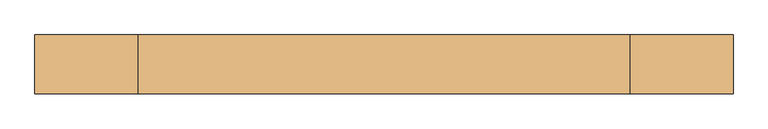
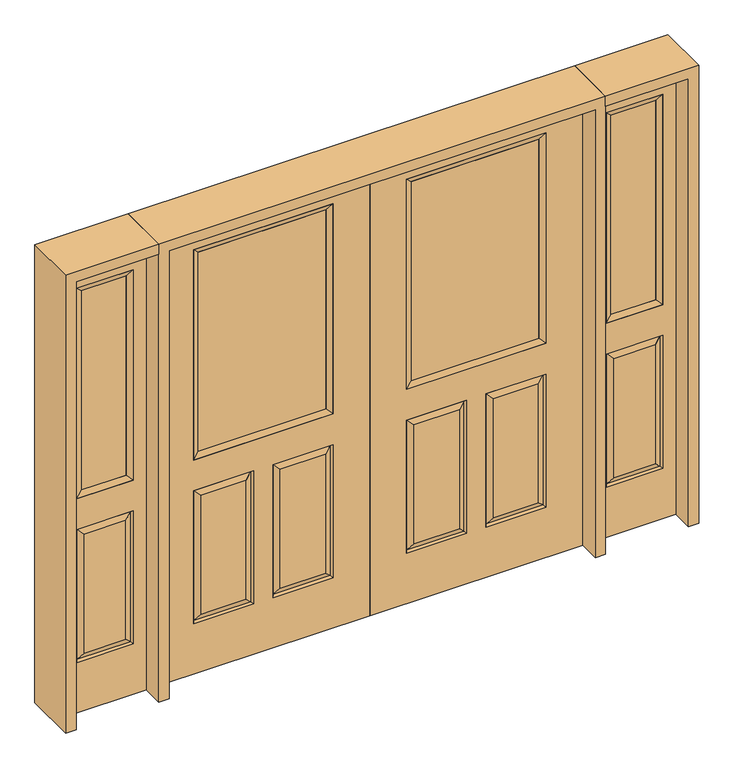
"""IFC4 building model written with IfcOpenShell, lengths in millimetres: door geometry."""

import ifcopenshell
import ifcopenshell.guid

model = None  # the IFC model being written
_history = None  # IfcOwnerHistory: only IFC2X3 demands one
_inside = {}  # id of a spatial element -> (the spatial element, [elements in it])
_under = {}  # id of a project, library or spatial element -> (it, [spatial elements below it])
_declared = {}  # id of a project -> (the project, [libraries it declares])
_typed = {}  # id of a type object -> (the type object, [elements of that type])
_made_of = {}  # id of a material, layer set ... -> (it, [elements and type objects made of it])


def new_model(schema):
    """Start an empty IFC model of exactly this schema.

    Asked for "IFC4X3", IfcOpenShell would pick the latest addendum, in which some entities
    have other attributes; the version numbers below select the first issue.
    IFC2X3 requires an IfcOwnerHistory on every rooted entity: one is made here for all.
    """
    global model, _history
    if schema == "IFC4X3":
        model = ifcopenshell.file(schema_version=(4, 3, 0, 0))
    else:
        model = ifcopenshell.file(schema=schema)
    _inside.clear()
    _under.clear()
    _declared.clear()
    _typed.clear()
    _made_of.clear()
    _history = None
    if model.schema == "IFC2X3":
        org = make("IfcOrganization", Name="unknown")
        user = make(
            "IfcPersonAndOrganization",
            ThePerson=make("IfcPerson", FamilyName="unknown"),
            TheOrganization=org,
        )
        app = make(
            "IfcApplication",
            ApplicationDeveloper=org,
            Version="unknown",
            ApplicationFullName="unknown",
            ApplicationIdentifier="unknown",
        )
        _history = make(
            "IfcOwnerHistory",
            OwningUser=user,
            OwningApplication=app,
            ChangeAction="ADDED",
            CreationDate=0,
        )
    return model


def make(cls, **values):
    """One entity of the class cls with the attributes given. An attribute that is None is left unset."""
    return model.create_entity(
        cls, **{name: value for name, value in values.items() if value is not None}
    )


def rooted(cls, **values):
    """An entity with a GlobalId (a new one), such as an element, a storey or a relation."""
    return make(cls, GlobalId=ifcopenshell.guid.new(), OwnerHistory=_history, **values)


def si_unit(unit_type, name, prefix=None):
    """IfcSIUnit, for example si_unit("LENGTHUNIT", "METRE", prefix="MILLI")."""
    return make("IfcSIUnit", UnitType=unit_type, Prefix=prefix, Name=name)


def assignment(units):
    """IfcUnitAssignment: the units of a project."""
    return None if units is None else make("IfcUnitAssignment", Units=units)


def point(xyz):
    """IfcCartesianPoint."""
    return None if xyz is None else make("IfcCartesianPoint", Coordinates=xyz)


def direction(xyz):
    """IfcDirection."""
    return None if xyz is None else make("IfcDirection", DirectionRatios=xyz)


def frame(location, z_axis=None, x_axis=None):
    """IfcAxis2Placement3D, a coordinate frame: its origin and axes. An axis left out is left unset."""
    return make(
        "IfcAxis2Placement3D",
        Location=point(location),
        Axis=direction(z_axis),
        RefDirection=direction(x_axis),
    )


def origin():
    """The frame at (0, 0, 0) with its axes left unset."""
    return frame((0.0, 0.0, 0.0))


def place(relative_to, where):
    """IfcLocalPlacement: puts the frame where relative to a parent placement (None: the world)."""
    return make(
        "IfcLocalPlacement", PlacementRelTo=relative_to, RelativePlacement=where
    )


def context(
    kind, dimensions, precision=None, world=None, true_north=None, identifier=None
):
    """IfcGeometricRepresentationContext, for example the 3D "Model" context."""
    return make(
        "IfcGeometricRepresentationContext",
        ContextIdentifier=identifier,
        ContextType=kind,
        CoordinateSpaceDimension=dimensions,
        Precision=precision,
        WorldCoordinateSystem=world,
        TrueNorth=true_north,
    )


def project(units=None, contexts=None):
    """IfcProject with its units and contexts."""
    return rooted(
        "IfcProject",
        Name="project",
        RepresentationContexts=contexts,
        UnitsInContext=assignment(units),
    )


def spatial(cls, under=None, at=None, **own):
    """A site, building, storey or space (cls), placed at a placement, below another one or the project."""
    s = rooted(cls, ObjectPlacement=at, **own)
    if under is not None:
        _under.setdefault(under.id(), (under, []))[1].append(s)
    return s


def polyline(points):
    """IfcPolyline through the points."""
    return make("IfcPolyline", Points=[point(p) for p in points])


def outline(outer, holes=None, kind="AREA"):
    """IfcArbitraryClosedProfileDef: a profile drawn as a closed curve; with holes, ...WithVoids."""
    if holes is None:
        return make("IfcArbitraryClosedProfileDef", ProfileType=kind, OuterCurve=outer)
    return make(
        "IfcArbitraryProfileDefWithVoids",
        ProfileType=kind,
        OuterCurve=outer,
        InnerCurves=holes,
    )


def extrude(swept, where, along, depth):
    """IfcExtrudedAreaSolid: the profile swept, set in the frame where, extruded along a direction by depth."""
    return make(
        "IfcExtrudedAreaSolid",
        SweptArea=swept,
        Position=where,
        ExtrudedDirection=direction(along),
        Depth=depth,
    )


def faces_of(points, faces, orient=None, outer=None):
    """IfcFace entities. A face is a list of loops; a loop is a list of indices into points, from 0.

    orient and outer hold one flag for each loop. By default every Orientation is true, the
    first loop of a face is its IfcFaceOuterBound and the others are IfcFaceBound.
    """
    made = []
    for i, loops in enumerate(faces):
        bounds = []
        for j, loop in enumerate(loops):
            is_outer = j == 0 if outer is None else outer[i][j]
            bounds.append(
                make(
                    "IfcFaceOuterBound" if is_outer else "IfcFaceBound",
                    Bound=make("IfcPolyLoop", Polygon=[points[k] for k in loop]),
                    Orientation=True if orient is None else orient[i][j],
                )
            )
        made.append(make("IfcFace", Bounds=bounds))
    return made


def faceted_brep(points, faces, orient=None, outer=None, voids=None):
    """IfcFacetedBrep: a solid bounded by flat faces; with voids (closed shells), ...WithVoids."""
    shared = [point(p) for p in points]
    hull = make("IfcClosedShell", CfsFaces=faces_of(shared, faces, orient, outer))
    if voids is None:
        return make("IfcFacetedBrep", Outer=hull)
    return make(
        "IfcFacetedBrepWithVoids",
        Outer=hull,
        Voids=[
            make(cls, CfsFaces=faces_of(shared, fs, o, b)) for cls, fs, o, b in voids
        ],
    )


def shape(context_of_items, identifier, shape_type, items):
    """IfcShapeRepresentation: the items that make up one representation, for example the "Body"."""
    return make(
        "IfcShapeRepresentation",
        ContextOfItems=context_of_items,
        RepresentationIdentifier=identifier,
        RepresentationType=shape_type,
        Items=items,
    )


def source(mapping_origin, context_of_items, identifier, shape_type, items):
    """IfcRepresentationMap: a shape defined once, which mapped items show again and again."""
    return make(
        "IfcRepresentationMap",
        MappingOrigin=mapping_origin,
        MappedRepresentation=shape(context_of_items, identifier, shape_type, items),
    )


def transform(
    local_origin,
    x_axis=None,
    y_axis=None,
    z_axis=None,
    scale=None,
    scale2=None,
    scale3=None,
    uniform=True,
):
    """IfcCartesianTransformationOperator3D, or its non-uniform kind. x_axis, y_axis, z_axis: its Axis1, 2, 3."""
    if uniform:
        return make(
            "IfcCartesianTransformationOperator3D",
            Axis1=direction(x_axis),
            Axis2=direction(y_axis),
            LocalOrigin=point(local_origin),
            Scale=scale,
            Axis3=direction(z_axis),
        )
    return make(
        "IfcCartesianTransformationOperator3DnonUniform",
        Axis1=direction(x_axis),
        Axis2=direction(y_axis),
        LocalOrigin=point(local_origin),
        Scale=scale,
        Axis3=direction(z_axis),
        Scale2=scale2,
        Scale3=scale3,
    )


def mapped(mapping_source, mapping_target):
    """IfcMappedItem: shows the shape of a source again, moved by a transform."""
    return make(
        "IfcMappedItem", MappingSource=mapping_source, MappingTarget=mapping_target
    )


def made_of(thing, what):
    """Note that an element or type object is made of a material, layer set ...; save() writes the relation."""
    if what is not None:
        _made_of.setdefault(what.id(), (what, []))[1].append(thing)
    return thing


def element(
    cls,
    number,
    at=None,
    inside=None,
    cuts=None,
    type_object=None,
    material=None,
    context=None,
    identifier="Body",
    shape_type=None,
    held_by="IfcProductDefinitionShape",
    body=None,
    shapes=None,
    **own,
):
    """One element of the class cls, such as IfcWall. Its Tag is "e" and its number.

    at: its placement. inside: the storey or other place that contains it. cuts: it is an
    opening in that element (IfcRelVoidsElement). A single representation is given by context,
    identifier, shape_type and body (its items); several are given by shapes. held_by: the class
    of the entity that holds the representations. save() writes the other relations.
    """
    e = rooted(cls, Tag="e%d" % number, ObjectPlacement=at, **own)
    if body is not None:
        shapes = [shape(context, identifier, shape_type, body)]
    if shapes is not None:
        e.Representation = make(held_by, Representations=shapes)
    if inside is not None:
        _inside.setdefault(inside.id(), (inside, []))[1].append(e)
    if cuts is not None:
        rooted(
            "IfcRelVoidsElement", RelatingBuildingElement=cuts, RelatedOpeningElement=e
        )
    if type_object is not None:
        _typed.setdefault(type_object.id(), (type_object, []))[1].append(e)
    return made_of(e, material)


def aggregate(whole, parts):
    """IfcRelAggregates: a whole, such as a stair, and the parts it consists of."""
    return rooted("IfcRelAggregates", RelatingObject=whole, RelatedObjects=parts)


def save(model, path):
    """Write the relations noted so far, then the file.

    IfcRelAggregates (storeys below a building ...), IfcRelContainedInSpatialStructure (elements
    in a storey), IfcRelDefinesByType, IfcRelAssociatesMaterial and IfcRelDeclares: one each for
    every whole, place, type object, material and project.
    """
    for whole, parts in _under.values():
        aggregate(whole, parts)
    for where, things in _inside.values():
        rooted(
            "IfcRelContainedInSpatialStructure",
            RelatedElements=things,
            RelatingStructure=where,
        )
    for kind, things in _typed.values():
        rooted("IfcRelDefinesByType", RelatedObjects=things, RelatingType=kind)
    for what, things in _made_of.values():
        rooted("IfcRelAssociatesMaterial", RelatedObjects=things, RelatingMaterial=what)
    for by, libraries in _declared.values():
        rooted("IfcRelDeclares", RelatingContext=by, RelatedDefinitions=libraries)
    model.write(path)


def door_280704d4(model_context):
    return source(origin(), model_context, "Body", "SolidModel", [
        faceted_brep([(0.0, -22.225, 0.0), (0.0, -22.225, 2032.0), (-914.4, -22.225, 2032.0), (-914.4, -22.225, 0.0), (-157.861, -22.225, 971.55), (-756.539, -22.225, 971.55), (-756.539, -22.225, 1925.574), (-157.861, -22.225, 1925.574), (-157.861, -22.225, 831.85), (-157.861, -22.225, 228.6), (-415.925, -22.225, 228.6), (-415.925, -22.225, 831.85), (-498.475, -22.225, 831.85), (-498.475, -22.225, 228.6), (-756.539, -22.225, 228.6), (-756.539, -22.225, 831.85), (-384.175, -22.225, 800.1), (-384.175, -22.225, 260.35), (-189.611, -22.225, 260.35), (-189.611, -22.225, 800.1), (-724.789, -22.225, 800.1), (-724.789, -22.225, 260.35), (-530.225, -22.225, 260.35), (-530.225, -22.225, 800.1), (-914.4, 22.225, 0.0), (0.0, 22.225, 0.0), (-914.4, 22.225, 2032.0), (0.0, 22.225, 2032.0), (-157.861, 22.225, 1925.574), (-157.861, 22.225, 971.55), (-756.539, 22.225, 971.55), (-756.539, 22.225, 1925.574), (-415.925, 22.225, 831.85), (-415.925, 22.225, 228.6), (-157.861, 22.225, 228.6), (-157.861, 22.225, 831.85), (-756.539, 22.225, 831.85), (-756.539, 22.225, 228.6), (-498.475, 22.225, 228.6), (-498.475, 22.225, 831.85), (-189.611, 22.225, 800.1), (-189.611, 22.225, 260.35), (-384.175, 22.225, 260.35), (-384.175, 22.225, 800.1), (-530.225, 22.225, 800.1), (-530.225, 22.225, 260.35), (-724.789, 22.225, 260.35), (-724.789, 22.225, 800.1), (-165.00475, -12.7449236, 824.70625), (-408.78125, -12.7449236, 824.70625), (-165.00475, -12.7449236, 235.74375), (-408.78125, -12.7449236, 235.74375), (-749.39525, -12.7449236, 824.70625), (-505.61875, -12.7449236, 824.70625), (-505.61875, -12.7449236, 235.74375), (-749.39525, -12.7449236, 235.74375), (-165.00475, 12.7449236, 824.70625), (-408.78125, 12.7449236, 824.70625), (-408.78125, 12.7449236, 235.74375), (-165.00475, 12.7449236, 235.74375), (-749.39525, 12.7449236, 824.70625), (-505.61875, 12.7449236, 824.70625), (-749.39525, 12.7449236, 235.74375), (-505.61875, 12.7449236, 235.74375)], [[[0, 1, 2, 3], [4, 5, 6, 7], [8, 9, 10, 11], [12, 13, 14, 15]], [[16, 17, 18, 19]], [[20, 21, 22, 23]], [[3, 24, 25, 0]], [[2, 26, 24, 3]], [[0, 25, 27, 1]], [[7, 28, 29, 4]], [[5, 30, 31, 6]], [[4, 29, 30, 5]], [[25, 24, 26, 27], [29, 28, 31, 30], [32, 33, 34, 35], [36, 37, 38, 39]], [[40, 41, 42, 43]], [[44, 45, 46, 47]], [[1, 27, 26, 2]], [[6, 31, 28, 7]], [[16, 19, 48, 49]], [[19, 18, 50, 48]], [[51, 50, 18, 17]], [[49, 51, 17, 16]], [[48, 8, 11, 49]], [[11, 10, 51, 49]], [[10, 9, 50, 51]], [[48, 50, 9, 8]], [[52, 20, 23, 53]], [[23, 22, 54, 53]], [[22, 21, 55, 54]], [[52, 55, 21, 20]], [[53, 12, 15, 52]], [[15, 14, 55, 52]], [[54, 55, 14, 13]], [[53, 54, 13, 12]], [[56, 40, 43, 57]], [[43, 42, 58, 57]], [[42, 41, 59, 58]], [[56, 59, 41, 40]], [[57, 32, 35, 56]], [[35, 34, 59, 56]], [[58, 59, 34, 33]], [[57, 58, 33, 32]], [[44, 47, 60, 61]], [[47, 46, 62, 60]], [[63, 62, 46, 45]], [[61, 63, 45, 44]], [[60, 36, 39, 61]], [[39, 38, 63, 61]], [[38, 37, 62, 63]], [[60, 62, 37, 36]]]),
        extrude(outline(polyline([(-731.139, -12.7), (-731.139, 12.7), (-183.261, 12.7), (-183.261, -12.7), (-731.139, -12.7)])), frame((0.0, 0.0, 996.95), z_axis=(0.0, 0.0, 1.0), x_axis=(1.0, 0.0, 0.0)), (0.0, 0.0, 1.0), 903.224),
        faceted_brep([(-157.861, -22.225, 1925.574), (-157.861, -22.225, 971.55), (-157.861, 22.225, 971.55), (-157.861, 22.225, 1925.574), (-756.539, -22.225, 971.55), (-756.539, 22.225, 971.55), (-731.139, 12.7, 996.95), (-183.261, 12.7, 996.95), (-756.539, -22.225, 1925.574), (-756.539, 22.225, 1925.574), (-183.261, -12.7, 996.95), (-731.139, -12.7, 996.95), (-183.261, -12.7, 1900.174), (-731.139, -12.7, 1900.174), (-183.261, 12.7, 1900.174), (-731.139, 12.7, 1900.174)], [[[0, 1, 2, 3]], [[1, 4, 5, 2]], [[2, 5, 6, 7]], [[4, 8, 9, 5]], [[10, 11, 4, 1]], [[12, 10, 1, 0]], [[11, 13, 8, 4]], [[7, 6, 11, 10]], [[14, 7, 10, 12]], [[6, 15, 13, 11]], [[3, 2, 7, 14]], [[5, 9, 15, 6]], [[8, 0, 3, 9]], [[13, 12, 0, 8]], [[15, 14, 12, 13]], [[9, 3, 14, 15]]]),
        faceted_brep([(0.0, -22.225, 0.0), (914.4, -22.225, 0.0), (914.4, -22.225, 2032.0), (0.0, -22.225, 2032.0), (157.861, -22.225, 971.55), (157.861, -22.225, 1925.574), (756.539, -22.225, 1925.574), (756.539, -22.225, 971.55), (157.861, -22.225, 831.85), (415.925, -22.225, 831.85), (415.925, -22.225, 228.6), (157.861, -22.225, 228.6), (498.475, -22.225, 831.85), (756.539, -22.225, 831.85), (756.539, -22.225, 228.6), (498.475, -22.225, 228.6), (384.175, -22.225, 800.1), (189.611, -22.225, 800.1), (189.611, -22.225, 260.35), (384.175, -22.225, 260.35), (724.789, -22.225, 800.1), (530.225, -22.225, 800.1), (530.225, -22.225, 260.35), (724.789, -22.225, 260.35), (0.0, 22.225, 0.0), (914.4, 22.225, 0.0), (914.4, 22.225, 2032.0), (0.0, 22.225, 2032.0), (157.861, 22.225, 971.55), (157.861, 22.225, 1925.574), (756.539, 22.225, 1925.574), (756.539, 22.225, 971.55), (415.925, 22.225, 831.85), (157.861, 22.225, 831.85), (157.861, 22.225, 228.6), (415.925, 22.225, 228.6), (756.539, 22.225, 831.85), (498.475, 22.225, 831.85), (498.475, 22.225, 228.6), (756.539, 22.225, 228.6), (189.611, 22.225, 800.1), (384.175, 22.225, 800.1), (384.175, 22.225, 260.35), (189.611, 22.225, 260.35), (530.225, 22.225, 800.1), (724.789, 22.225, 800.1), (724.789, 22.225, 260.35), (530.225, 22.225, 260.35), (408.78125, -12.7449236, 824.70625), (165.00475, -12.7449236, 824.70625), (165.00475, -12.7449236, 235.74375), (408.78125, -12.7449236, 235.74375), (749.39525, -12.7449236, 824.70625), (505.61875, -12.7449236, 824.70625), (505.61875, -12.7449236, 235.74375), (749.39525, -12.7449236, 235.74375), (165.00475, 12.7449236, 824.70625), (408.78125, 12.7449236, 824.70625), (408.78125, 12.7449236, 235.74375), (165.00475, 12.7449236, 235.74375), (505.61875, 12.7449236, 824.70625), (749.39525, 12.7449236, 824.70625), (749.39525, 12.7449236, 235.74375), (505.61875, 12.7449236, 235.74375)], [[[0, 1, 2, 3], [4, 5, 6, 7], [8, 9, 10, 11], [12, 13, 14, 15]], [[16, 17, 18, 19]], [[20, 21, 22, 23]], [[1, 0, 24, 25]], [[2, 1, 25, 26]], [[0, 3, 27, 24]], [[5, 4, 28, 29]], [[7, 6, 30, 31]], [[4, 7, 31, 28]], [[24, 27, 26, 25], [28, 31, 30, 29], [32, 33, 34, 35], [36, 37, 38, 39]], [[40, 41, 42, 43]], [[44, 45, 46, 47]], [[3, 2, 26, 27]], [[6, 5, 29, 30]], [[16, 48, 49, 17]], [[17, 49, 50, 18]], [[51, 19, 18, 50]], [[48, 16, 19, 51]], [[49, 48, 9, 8]], [[9, 48, 51, 10]], [[10, 51, 50, 11]], [[49, 8, 11, 50]], [[52, 53, 21, 20]], [[21, 53, 54, 22]], [[22, 54, 55, 23]], [[52, 20, 23, 55]], [[53, 52, 13, 12]], [[13, 52, 55, 14]], [[54, 15, 14, 55]], [[53, 12, 15, 54]], [[56, 57, 41, 40]], [[41, 57, 58, 42]], [[42, 58, 59, 43]], [[56, 40, 43, 59]], [[57, 56, 33, 32]], [[33, 56, 59, 34]], [[58, 35, 34, 59]], [[57, 32, 35, 58]], [[44, 60, 61, 45]], [[45, 61, 62, 46]], [[63, 47, 46, 62]], [[60, 44, 47, 63]], [[61, 60, 37, 36]], [[37, 60, 63, 38]], [[38, 63, 62, 39]], [[61, 36, 39, 62]]]),
        extrude(outline(polyline([(731.139, -12.7), (183.261, -12.7), (183.261, 12.7), (731.139, 12.7), (731.139, -12.7)])), frame((0.0, 0.0, 996.95), z_axis=(0.0, 0.0, 1.0), x_axis=(1.0, 0.0, 0.0)), (0.0, 0.0, 1.0), 903.224),
        faceted_brep([(157.861, -22.225, 1925.574), (157.861, 22.225, 1925.574), (157.861, 22.225, 971.55), (157.861, -22.225, 971.55), (756.539, 22.225, 971.55), (756.539, -22.225, 971.55), (183.261, 12.7, 996.95), (731.139, 12.7, 996.95), (756.539, 22.225, 1925.574), (756.539, -22.225, 1925.574), (183.261, -12.7, 996.95), (731.139, -12.7, 996.95), (183.261, -12.7, 1900.174), (731.139, -12.7, 1900.174), (183.261, 12.7, 1900.174), (731.139, 12.7, 1900.174)], [[[0, 1, 2, 3]], [[3, 2, 4, 5]], [[2, 6, 7, 4]], [[5, 4, 8, 9]], [[10, 3, 5, 11]], [[12, 0, 3, 10]], [[11, 5, 9, 13]], [[6, 10, 11, 7]], [[14, 12, 10, 6]], [[7, 11, 13, 15]], [[1, 14, 6, 2]], [[4, 7, 15, 8]], [[9, 8, 1, 0]], [[13, 9, 0, 12]], [[15, 13, 12, 14]], [[8, 15, 14, 1]]]),
        faceted_brep([(1314.45, -22.225, 0.0), (1314.45, -22.225, 2032.0), (958.85, -22.225, 2032.0), (958.85, -22.225, 0.0), (1015.238, -22.225, 1925.574), (1258.062, -22.225, 1925.574), (1258.062, -22.225, 971.55), (1015.238, -22.225, 971.55), (1015.238, -22.225, 228.6), (1015.238, -22.225, 831.85), (1258.062, -22.225, 831.85), (1258.062, -22.225, 228.6), (1226.1559872, -22.225, 260.5060128), (1226.1559872, -22.225, 799.9439872), (1047.1440128, -22.225, 799.9439872), (1047.1440128, -22.225, 260.5060128), (958.85, 22.225, 0.0), (1314.45, 22.225, 0.0), (958.85, 22.225, 2032.0), (1314.45, 22.225, 2032.0), (1015.238, 22.225, 971.55), (1015.238, 22.225, 1925.574), (1258.062, 22.225, 971.55), (1258.062, 22.225, 1925.574), (1258.062, 22.225, 228.6), (1258.062, 22.225, 831.85), (1015.238, 22.225, 831.85), (1015.238, 22.225, 228.6), (1047.1440128, 22.225, 260.5060128), (1047.1440128, 22.225, 799.9439872), (1226.1559872, 22.225, 799.9439872), (1226.1559872, 22.225, 260.5060128), (1251.1419933, -13.0418409, 235.5200067), (1022.1580067, -13.0418409, 235.5200067), (1251.1419933, -13.0418409, 824.9299933), (1022.1580067, -13.0418409, 824.9299933), (1251.1419933, 13.0418409, 235.5200067), (1022.1580067, 13.0418409, 235.5200067), (1022.1580067, 13.0418409, 824.9299933), (1251.1419933, 13.0418409, 824.9299933)], [[[0, 1, 2, 3], [4, 5, 6, 7], [8, 9, 10, 11]], [[12, 13, 14, 15]], [[3, 16, 17, 0]], [[2, 18, 16, 3]], [[0, 17, 19, 1]], [[7, 20, 21, 4]], [[6, 22, 20, 7]], [[5, 23, 22, 6]], [[17, 16, 18, 19], [21, 20, 22, 23], [24, 25, 26, 27]], [[28, 29, 30, 31]], [[1, 19, 18, 2]], [[4, 21, 23, 5]], [[8, 11, 32, 33]], [[11, 10, 34, 32]], [[35, 34, 10, 9]], [[33, 35, 9, 8]], [[32, 12, 15, 33]], [[15, 14, 35, 33]], [[14, 13, 34, 35]], [[32, 34, 13, 12]], [[36, 24, 27, 37]], [[27, 26, 38, 37]], [[26, 25, 39, 38]], [[36, 39, 25, 24]], [[37, 28, 31, 36]], [[31, 30, 39, 36]], [[38, 39, 30, 29]], [[37, 38, 29, 28]]]),
        extrude(outline(polyline([(1040.638, -12.7), (1040.638, 12.7), (1232.662, 12.7), (1232.662, -12.7), (1040.638, -12.7)])), frame((0.0, 0.0, 996.95), z_axis=(0.0, 0.0, 1.0), x_axis=(1.0, 0.0, 0.0)), (0.0, 0.0, 1.0), 903.224),
        faceted_brep([(1258.062, -22.225, 1925.574), (1258.062, -22.225, 971.55), (1258.062, 22.225, 971.55), (1258.062, 22.225, 1925.574), (1015.238, -22.225, 971.55), (1015.238, 22.225, 971.55), (1040.638, 12.7, 996.95), (1232.662, 12.7, 996.95), (1015.238, -22.225, 1925.574), (1015.238, 22.225, 1925.574), (1232.662, -12.7, 996.95), (1040.638, -12.7, 996.95), (1232.662, -12.7, 1900.174), (1040.638, -12.7, 1900.174), (1232.662, 12.7, 1900.174), (1040.638, 12.7, 1900.174)], [[[0, 1, 2, 3]], [[1, 4, 5, 2]], [[2, 5, 6, 7]], [[4, 8, 9, 5]], [[10, 11, 4, 1]], [[12, 10, 1, 0]], [[11, 13, 8, 4]], [[7, 6, 11, 10]], [[14, 7, 10, 12]], [[6, 15, 13, 11]], [[3, 2, 7, 14]], [[5, 9, 15, 6]], [[8, 0, 3, 9]], [[13, 12, 0, 8]], [[15, 14, 12, 13]], [[9, 3, 14, 15]]]),
        faceted_brep([(-1314.45, -22.225, 0.0), (-958.85, -22.225, 0.0), (-958.85, -22.225, 2032.0), (-1314.45, -22.225, 2032.0), (-1015.238, -22.225, 1925.574), (-1015.238, -22.225, 971.55), (-1258.062, -22.225, 971.55), (-1258.062, -22.225, 1925.574), (-1015.238, -22.225, 228.6), (-1258.062, -22.225, 228.6), (-1258.062, -22.225, 831.85), (-1015.238, -22.225, 831.85), (-1226.1559872, -22.225, 260.5060128), (-1047.1440128, -22.225, 260.5060128), (-1047.1440128, -22.225, 799.9439872), (-1226.1559872, -22.225, 799.9439872), (-1314.45, 22.225, 0.0), (-958.85, 22.225, 0.0), (-958.85, 22.225, 2032.0), (-1314.45, 22.225, 2032.0), (-1015.238, 22.225, 1925.574), (-1015.238, 22.225, 971.55), (-1258.062, 22.225, 971.55), (-1258.062, 22.225, 1925.574), (-1258.062, 22.225, 228.6), (-1015.238, 22.225, 228.6), (-1015.238, 22.225, 831.85), (-1258.062, 22.225, 831.85), (-1047.1440128, 22.225, 260.5060128), (-1226.1559872, 22.225, 260.5060128), (-1226.1559872, 22.225, 799.9439872), (-1047.1440128, 22.225, 799.9439872), (-1022.1580067, -13.0418409, 235.5200067), (-1251.1419933, -13.0418409, 235.5200067), (-1251.1419933, -13.0418409, 824.9299933), (-1022.1580067, -13.0418409, 824.9299933), (-1251.1419933, 13.0418409, 235.5200067), (-1022.1580067, 13.0418409, 235.5200067), (-1022.1580067, 13.0418409, 824.9299933), (-1251.1419933, 13.0418409, 824.9299933)], [[[0, 1, 2, 3], [4, 5, 6, 7], [8, 9, 10, 11]], [[12, 13, 14, 15]], [[1, 0, 16, 17]], [[2, 1, 17, 18]], [[0, 3, 19, 16]], [[5, 4, 20, 21]], [[6, 5, 21, 22]], [[7, 6, 22, 23]], [[16, 19, 18, 17], [20, 23, 22, 21], [24, 25, 26, 27]], [[28, 29, 30, 31]], [[3, 2, 18, 19]], [[4, 7, 23, 20]], [[8, 32, 33, 9]], [[9, 33, 34, 10]], [[35, 11, 10, 34]], [[32, 8, 11, 35]], [[33, 32, 13, 12]], [[13, 32, 35, 14]], [[14, 35, 34, 15]], [[33, 12, 15, 34]], [[36, 37, 25, 24]], [[25, 37, 38, 26]], [[26, 38, 39, 27]], [[36, 24, 27, 39]], [[37, 36, 29, 28]], [[29, 36, 39, 30]], [[38, 31, 30, 39]], [[37, 28, 31, 38]]]),
        extrude(outline(polyline([(-1040.638, -12.7), (-1232.662, -12.7), (-1232.662, 12.7), (-1040.638, 12.7), (-1040.638, -12.7)])), frame((0.0, 0.0, 996.95), z_axis=(0.0, 0.0, 1.0), x_axis=(1.0, 0.0, 0.0)), (0.0, 0.0, 1.0), 903.224),
        faceted_brep([(-1258.062, -22.225, 1925.574), (-1258.062, 22.225, 1925.574), (-1258.062, 22.225, 971.55), (-1258.062, -22.225, 971.55), (-1015.238, 22.225, 971.55), (-1015.238, -22.225, 971.55), (-1232.662, 12.7, 996.95), (-1040.638, 12.7, 996.95), (-1015.238, 22.225, 1925.574), (-1015.238, -22.225, 1925.574), (-1232.662, -12.7, 996.95), (-1040.638, -12.7, 996.95), (-1232.662, -12.7, 1900.174), (-1040.638, -12.7, 1900.174), (-1232.662, 12.7, 1900.174), (-1040.638, 12.7, 1900.174)], [[[0, 1, 2, 3]], [[3, 2, 4, 5]], [[2, 6, 7, 4]], [[5, 4, 8, 9]], [[10, 3, 5, 11]], [[12, 0, 3, 10]], [[11, 5, 9, 13]], [[6, 10, 11, 7]], [[14, 12, 10, 6]], [[7, 11, 13, 15]], [[1, 14, 6, 2]], [[4, 7, 15, 8]], [[9, 8, 1, 0]], [[13, 9, 0, 12]], [[15, 13, 12, 14]], [[8, 15, 14, 1]]]),
        extrude(outline(polyline([(2032.0, -958.85), (2076.45, -958.85), (2076.45, -1358.9), (0.0, -1358.9), (0.0, -1314.45), (2032.0, -1314.45), (2032.0, -958.85)])), frame((0.0, -114.3, 0.0), z_axis=(0.0, 1.0, 0.0), x_axis=(0.0, 0.0, 1.0)), (0.0, 0.0, 1.0), 228.6),
        extrude(outline(polyline([(2076.45, 958.85), (2032.0, 958.85), (2032.0, 1314.45), (0.0, 1314.45), (0.0, 1358.9), (2076.45, 1358.9), (2076.45, 958.85)])), frame((0.0, -114.3, 0.0), z_axis=(0.0, 1.0, 0.0), x_axis=(0.0, 0.0, 1.0)), (0.0, 0.0, 1.0), 228.6),
        extrude(outline(polyline([(0.0, -958.85), (0.0, -914.4), (2032.0, -914.4), (2032.0, 914.4), (0.0, 914.4), (0.0, 958.85), (2076.45, 958.85), (2076.45, -958.85), (0.0, -958.85)])), frame((0.0, -114.3, 0.0), z_axis=(0.0, 1.0, 0.0), x_axis=(0.0, 0.0, 1.0)), (0.0, 0.0, 1.0), 228.6),
    ])


if __name__ == "__main__":
    model = new_model("IFC4")
    model_context = context("Model", 3, world=origin())
    ifc_project = project(units=[si_unit("LENGTHUNIT", "METRE", prefix="MILLI")], contexts=[model_context])
    site = spatial("IfcSite", under=ifc_project)
    building = spatial("IfcBuilding", under=site)
    placement = place(None, origin())
    door_shape = door_280704d4(model_context)
    element("IfcDoor", 1, at=placement, inside=building, context=model_context, shape_type="MappedRepresentation", body=[
        mapped(door_shape, transform((0.0, 0.0, 0.0), x_axis=(1.0, 0.0, 0.0), y_axis=(0.0, 1.0, 0.0), z_axis=(0.0, 0.0, 1.0))),
    ])
    save(model, "model.ifc")
